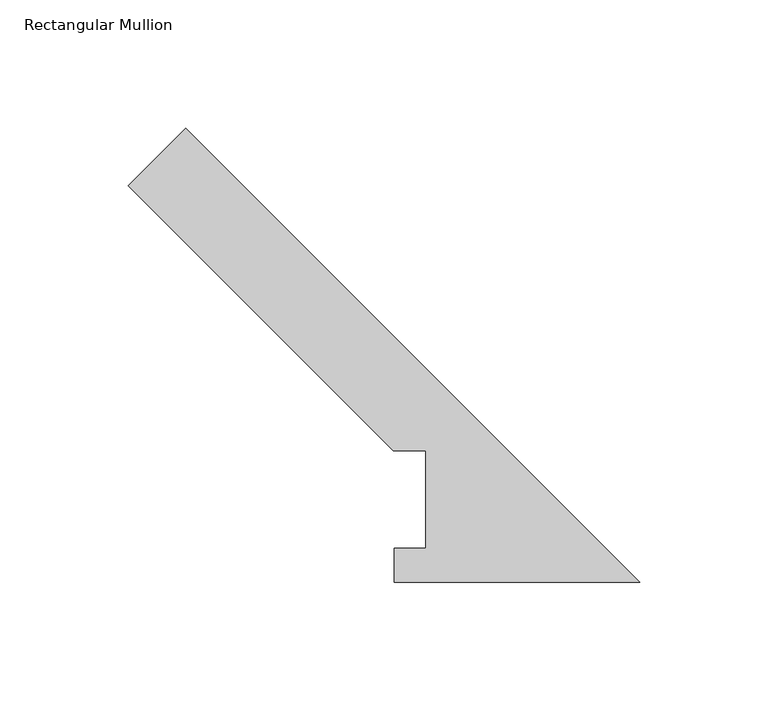
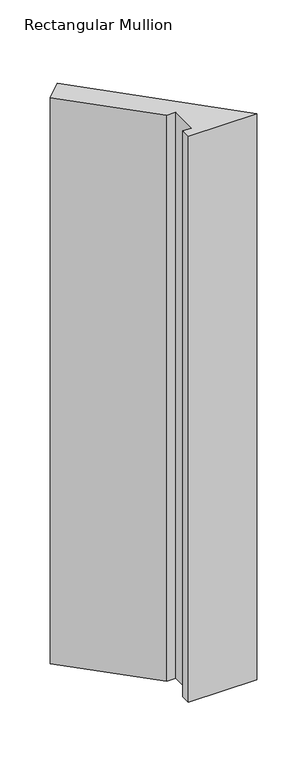
"""IFC4 building model written with IfcOpenShell, lengths in millimetres: member geometry, Rectangular Mullion."""

from ifc_helpers import new_model, si_unit, frame, origin, place, context, project, spatial, polyline, outline, extrude, source, transform, mapped, element, save


def rectangular_mullion_43b6a21e(model_context):
    return source(origin(), model_context, "Body", "SweptSolid", [
        extrude(outline(polyline([(0.0, 0.0173344), (-95.7961125, 0.0173344), (-95.7961125, 13.1903275), (-83.48004, 13.1903275), (-83.48004, 51.2960938), (-96.18004, 51.2960938), (-199.4709459, 154.5869997), (-177.0203056, 177.03764), (0.0, 0.0173344)])), frame((0.0, 0.0, -838.1999996), z_axis=(0.0, 0.0, 1.0), x_axis=(1.0, 0.0, 0.0)), (0.0, 0.0, 1.0), 838.1999996),
    ])


if __name__ == "__main__":
    model = new_model("IFC4")
    model_context = context("Model", 3, world=origin())
    ifc_project = project(units=[si_unit("LENGTHUNIT", "METRE", prefix="MILLI")], contexts=[model_context])
    site = spatial("IfcSite", under=ifc_project)
    building = spatial("IfcBuilding", under=site)
    placement = place(None, origin())
    rectangular_mullion_shape = rectangular_mullion_43b6a21e(model_context)
    element("IfcMember", 1, ObjectType="Rectangular Mullion", at=placement, inside=building, context=model_context, shape_type="MappedRepresentation", body=[
        mapped(rectangular_mullion_shape, transform((0.0, 0.0, 0.0), x_axis=(1.0, 0.0, 0.0), y_axis=(0.0, 1.0, 0.0), z_axis=(0.0, 0.0, 1.0))),
    ])
    save(model, "model.ifc")
